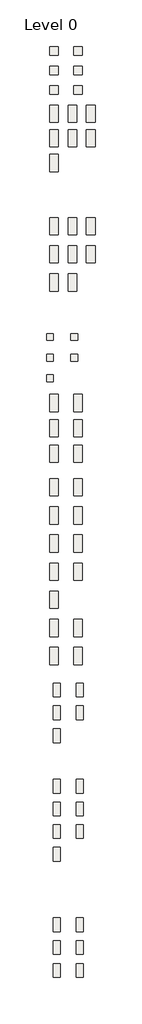
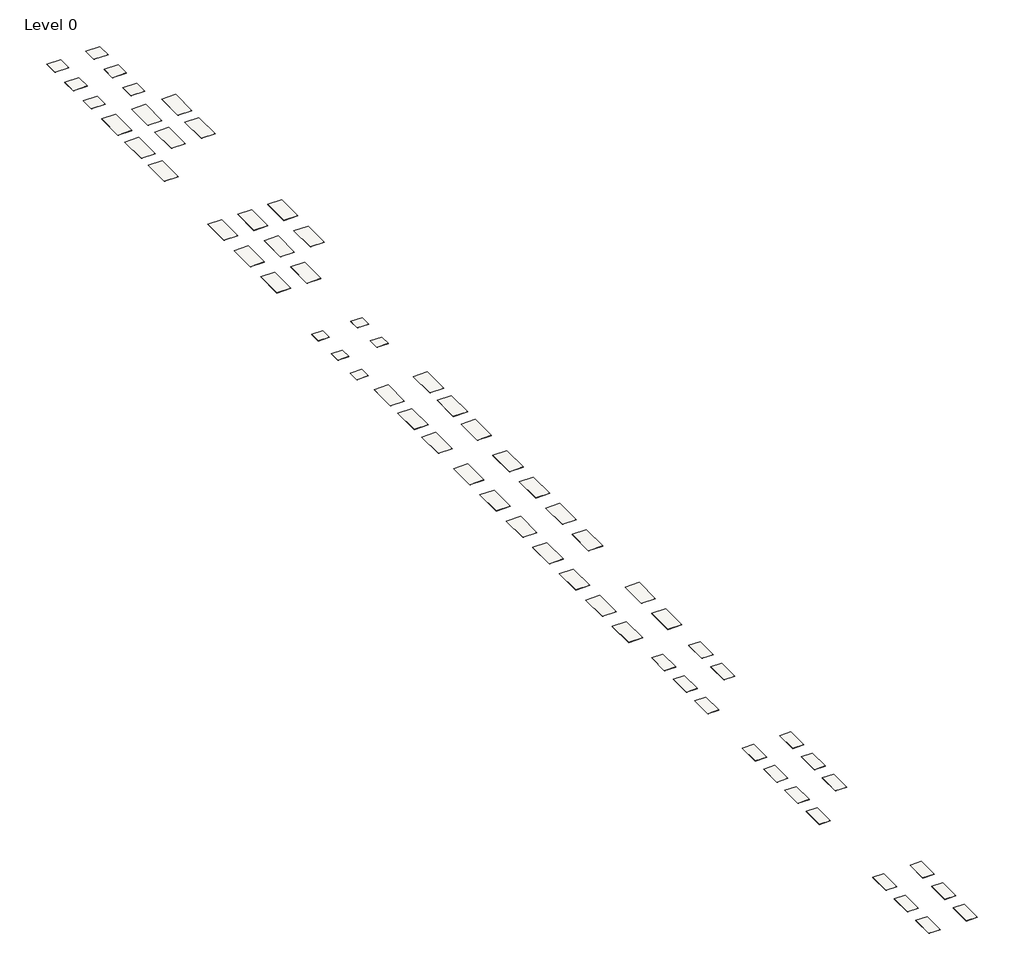
# One storey: 63 slabs.
"""IFC4 building model written with IfcOpenShell, lengths in millimetres."""

from ifc_helpers import new_model, si_unit, frame, origin, place, context, project, spatial, polyline, outline, extrude, element, save

model = new_model("IFC4")

# Units and contexts
model_context = context("Model", 3, world=origin())
ifc_project = project(units=[si_unit("LENGTHUNIT", "METRE", prefix="MILLI")], contexts=[model_context])

# Site, building, storey
site = spatial("IfcSite", under=ifc_project)
building = spatial("IfcBuilding", under=site)
storey = spatial("IfcBuildingStorey", under=building, Name="Level 0", Elevation=0.0)

# Slabs
placement = place(None, origin())
element("IfcSlab", 1, at=placement, inside=storey, context=model_context, shape_type="SweptSolid", body=[
    extrude(outline(polyline([(-9237.153592, -1038.5872888), (-9237.153592, -1788.5872888), (-9987.153592, -1788.5872888), (-9987.153592, -1038.5872888), (-9237.153592, -1038.5872888)])), frame((0.0, 0.0, -9.0), z_axis=(0.0, 0.0, 1.0), x_axis=(1.0, 0.0, 0.0)), (0.0, 0.0, 1.0), 9.0),
])
element("IfcSlab", 2, at=placement, inside=storey, context=model_context, shape_type="SweptSolid", body=[
    extrude(outline(polyline([(-7137.153592, -1038.5872888), (-7137.153592, -1788.5872888), (-7887.153592, -1788.5872888), (-7887.153592, -1038.5872888), (-7137.153592, -1038.5872888)])), frame((0.0, 0.0, -9.0), z_axis=(0.0, 0.0, 1.0), x_axis=(1.0, 0.0, 0.0)), (0.0, 0.0, 1.0), 9.0),
])
element("IfcSlab", 3, at=placement, inside=storey, context=model_context, shape_type="SweptSolid", body=[
    extrude(outline(polyline([(-9237.153592, -2738.5872888), (-9237.153592, -3488.5872888), (-9987.153592, -3488.5872888), (-9987.153592, -2738.5872888), (-9237.153592, -2738.5872888)])), frame((0.0, 0.0, -9.0), z_axis=(0.0, 0.0, 1.0), x_axis=(1.0, 0.0, 0.0)), (0.0, 0.0, 1.0), 9.0),
])
element("IfcSlab", 4, at=placement, inside=storey, context=model_context, shape_type="SweptSolid", body=[
    extrude(outline(polyline([(-7137.153592, -2738.5872888), (-7137.153592, -3488.5872888), (-7887.153592, -3488.5872888), (-7887.153592, -2738.5872888), (-7137.153592, -2738.5872888)])), frame((0.0, 0.0, -9.0), z_axis=(0.0, 0.0, 1.0), x_axis=(1.0, 0.0, 0.0)), (0.0, 0.0, 1.0), 9.0),
])
element("IfcSlab", 5, at=placement, inside=storey, context=model_context, shape_type="SweptSolid", body=[
    extrude(outline(polyline([(-9237.153592, -4438.5872888), (-9237.153592, -5188.5872888), (-9987.153592, -5188.5872888), (-9987.153592, -4438.5872888), (-9237.153592, -4438.5872888)])), frame((0.0, 0.0, -9.0), z_axis=(0.0, 0.0, 1.0), x_axis=(1.0, 0.0, 0.0)), (0.0, 0.0, 1.0), 9.0),
])
element("IfcSlab", 6, at=placement, inside=storey, context=model_context, shape_type="SweptSolid", body=[
    extrude(outline(polyline([(-7137.153592, -4438.5872888), (-7137.153592, -5188.5872888), (-7887.153592, -5188.5872888), (-7887.153592, -4438.5872888), (-7137.153592, -4438.5872888)])), frame((0.0, 0.0, -9.0), z_axis=(0.0, 0.0, 1.0), x_axis=(1.0, 0.0, 0.0)), (0.0, 0.0, 1.0), 9.0),
])
element("IfcSlab", 7, at=placement, inside=storey, context=model_context, shape_type="SweptSolid", body=[
    extrude(outline(polyline([(-9237.153592, -6138.5872888), (-9237.153592, -7638.5872888), (-9987.153592, -7638.5872888), (-9987.153592, -6138.5872888), (-9237.153592, -6138.5872888)])), frame((0.0, 0.0, -9.0), z_axis=(0.0, 0.0, 1.0), x_axis=(1.0, 0.0, 0.0)), (0.0, 0.0, 1.0), 9.0),
])
element("IfcSlab", 8, at=placement, inside=storey, context=model_context, shape_type="SweptSolid", body=[
    extrude(outline(polyline([(-7637.153592, -6138.5872888), (-7637.153592, -7638.5872888), (-8387.153592, -7638.5872888), (-8387.153592, -6138.5872888), (-7637.153592, -6138.5872888)])), frame((0.0, 0.0, -9.0), z_axis=(0.0, 0.0, 1.0), x_axis=(1.0, 0.0, 0.0)), (0.0, 0.0, 1.0), 9.0),
])
element("IfcSlab", 9, at=placement, inside=storey, context=model_context, shape_type="SweptSolid", body=[
    extrude(outline(polyline([(-6037.153592, -6138.5872888), (-6037.153592, -7638.5872888), (-6787.153592, -7638.5872888), (-6787.153592, -6138.5872888), (-6037.153592, -6138.5872888)])), frame((0.0, 0.0, -9.0), z_axis=(0.0, 0.0, 1.0), x_axis=(1.0, 0.0, 0.0)), (0.0, 0.0, 1.0), 9.0),
])
element("IfcSlab", 10, at=placement, inside=storey, context=model_context, shape_type="SweptSolid", body=[
    extrude(outline(polyline([(-9237.153592, -8288.5872888), (-9237.153592, -9788.5872888), (-9987.153592, -9788.5872888), (-9987.153592, -8288.5872888), (-9237.153592, -8288.5872888)])), frame((0.0, 0.0, -9.0), z_axis=(0.0, 0.0, 1.0), x_axis=(1.0, 0.0, 0.0)), (0.0, 0.0, 1.0), 9.0),
])
element("IfcSlab", 11, at=placement, inside=storey, context=model_context, shape_type="SweptSolid", body=[
    extrude(outline(polyline([(-7637.153592, -8288.5872888), (-7637.153592, -9788.5872888), (-8387.153592, -9788.5872888), (-8387.153592, -8288.5872888), (-7637.153592, -8288.5872888)])), frame((0.0, 0.0, -9.0), z_axis=(0.0, 0.0, 1.0), x_axis=(1.0, 0.0, 0.0)), (0.0, 0.0, 1.0), 9.0),
])
element("IfcSlab", 12, at=placement, inside=storey, context=model_context, shape_type="SweptSolid", body=[
    extrude(outline(polyline([(-6037.153592, -8288.5872888), (-6037.153592, -9788.5872888), (-6787.153592, -9788.5872888), (-6787.153592, -8288.5872888), (-6037.153592, -8288.5872888)])), frame((0.0, 0.0, -9.0), z_axis=(0.0, 0.0, 1.0), x_axis=(1.0, 0.0, 0.0)), (0.0, 0.0, 1.0), 9.0),
])
element("IfcSlab", 13, at=placement, inside=storey, context=model_context, shape_type="SweptSolid", body=[
    extrude(outline(polyline([(-9237.153592, -10438.5872888), (-9237.153592, -11938.5872888), (-9987.153592, -11938.5872888), (-9987.153592, -10438.5872888), (-9237.153592, -10438.5872888)])), frame((0.0, 0.0, -9.0), z_axis=(0.0, 0.0, 1.0), x_axis=(1.0, 0.0, 0.0)), (0.0, 0.0, 1.0), 9.0),
])
element("IfcSlab", 14, at=placement, inside=storey, context=model_context, shape_type="SweptSolid", body=[
    extrude(outline(polyline([(-9237.153592, -15938.5872888), (-9237.153592, -17438.5872888), (-9987.153592, -17438.5872888), (-9987.153592, -15938.5872888), (-9237.153592, -15938.5872888)])), frame((0.0, 0.0, -9.0), z_axis=(0.0, 0.0, 1.0), x_axis=(1.0, 0.0, 0.0)), (0.0, 0.0, 1.0), 9.0),
])
element("IfcSlab", 15, at=placement, inside=storey, context=model_context, shape_type="SweptSolid", body=[
    extrude(outline(polyline([(-7637.153592, -15938.5872888), (-7637.153592, -17438.5872888), (-8387.153592, -17438.5872888), (-8387.153592, -15938.5872888), (-7637.153592, -15938.5872888)])), frame((0.0, 0.0, -9.0), z_axis=(0.0, 0.0, 1.0), x_axis=(1.0, 0.0, 0.0)), (0.0, 0.0, 1.0), 9.0),
])
element("IfcSlab", 16, at=placement, inside=storey, context=model_context, shape_type="SweptSolid", body=[
    extrude(outline(polyline([(-6037.153592, -15938.5872888), (-6037.153592, -17438.5872888), (-6787.153592, -17438.5872888), (-6787.153592, -15938.5872888), (-6037.153592, -15938.5872888)])), frame((0.0, 0.0, -9.0), z_axis=(0.0, 0.0, 1.0), x_axis=(1.0, 0.0, 0.0)), (0.0, 0.0, 1.0), 9.0),
])
element("IfcSlab", 17, at=placement, inside=storey, context=model_context, shape_type="SweptSolid", body=[
    extrude(outline(polyline([(-9237.153592, -18388.5872888), (-9237.153592, -19888.5872888), (-9987.153592, -19888.5872888), (-9987.153592, -18388.5872888), (-9237.153592, -18388.5872888)])), frame((0.0, 0.0, -9.0), z_axis=(0.0, 0.0, 1.0), x_axis=(1.0, 0.0, 0.0)), (0.0, 0.0, 1.0), 9.0),
])
element("IfcSlab", 18, at=placement, inside=storey, context=model_context, shape_type="SweptSolid", body=[
    extrude(outline(polyline([(-7637.153592, -18388.5872888), (-7637.153592, -19888.5872888), (-8387.153592, -19888.5872888), (-8387.153592, -18388.5872888), (-7637.153592, -18388.5872888)])), frame((0.0, 0.0, -9.0), z_axis=(0.0, 0.0, 1.0), x_axis=(1.0, 0.0, 0.0)), (0.0, 0.0, 1.0), 9.0),
])
element("IfcSlab", 19, at=placement, inside=storey, context=model_context, shape_type="SweptSolid", body=[
    extrude(outline(polyline([(-6037.153592, -18388.5872888), (-6037.153592, -19888.5872888), (-6787.153592, -19888.5872888), (-6787.153592, -18388.5872888), (-6037.153592, -18388.5872888)])), frame((0.0, 0.0, -9.0), z_axis=(0.0, 0.0, 1.0), x_axis=(1.0, 0.0, 0.0)), (0.0, 0.0, 1.0), 9.0),
])
element("IfcSlab", 20, at=placement, inside=storey, context=model_context, shape_type="SweptSolid", body=[
    extrude(outline(polyline([(-9237.153592, -20838.5872888), (-9237.153592, -22338.5872888), (-9987.153592, -22338.5872888), (-9987.153592, -20838.5872888), (-9237.153592, -20838.5872888)])), frame((0.0, 0.0, -9.0), z_axis=(0.0, 0.0, 1.0), x_axis=(1.0, 0.0, 0.0)), (0.0, 0.0, 1.0), 9.0),
])
element("IfcSlab", 21, at=placement, inside=storey, context=model_context, shape_type="SweptSolid", body=[
    extrude(outline(polyline([(-7637.153592, -20838.5872888), (-7637.153592, -22338.5872888), (-8387.153592, -22338.5872888), (-8387.153592, -20838.5872888), (-7637.153592, -20838.5872888)])), frame((0.0, 0.0, -9.0), z_axis=(0.0, 0.0, 1.0), x_axis=(1.0, 0.0, 0.0)), (0.0, 0.0, 1.0), 9.0),
])
element("IfcSlab", 22, at=placement, inside=storey, context=model_context, shape_type="SweptSolid", body=[
    extrude(outline(polyline([(-9665.9167579, -26039.7137662), (-9665.9167579, -26639.7137662), (-10265.9167579, -26639.7137662), (-10265.9167579, -26039.7137662), (-9665.9167579, -26039.7137662)])), frame((0.0, 0.0, -9.0), z_axis=(0.0, 0.0, 1.0), x_axis=(1.0, 0.0, 0.0)), (0.0, 0.0, 1.0), 9.0),
])
element("IfcSlab", 23, at=placement, inside=storey, context=model_context, shape_type="SweptSolid", body=[
    extrude(outline(polyline([(-7565.9167579, -26039.7137662), (-7565.9167579, -26639.7137662), (-8165.9167579, -26639.7137662), (-8165.9167579, -26039.7137662), (-7565.9167579, -26039.7137662)])), frame((0.0, 0.0, -9.0), z_axis=(0.0, 0.0, 1.0), x_axis=(1.0, 0.0, 0.0)), (0.0, 0.0, 1.0), 9.0),
])
element("IfcSlab", 24, at=placement, inside=storey, context=model_context, shape_type="SweptSolid", body=[
    extrude(outline(polyline([(-9665.9167579, -27839.7137662), (-9665.9167579, -28439.7137662), (-10265.9167579, -28439.7137662), (-10265.9167579, -27839.7137662), (-9665.9167579, -27839.7137662)])), frame((0.0, 0.0, -9.0), z_axis=(0.0, 0.0, 1.0), x_axis=(1.0, 0.0, 0.0)), (0.0, 0.0, 1.0), 9.0),
])
element("IfcSlab", 25, at=placement, inside=storey, context=model_context, shape_type="SweptSolid", body=[
    extrude(outline(polyline([(-7565.9167579, -27839.7137662), (-7565.9167579, -28439.7137662), (-8165.9167579, -28439.7137662), (-8165.9167579, -27839.7137662), (-7565.9167579, -27839.7137662)])), frame((0.0, 0.0, -9.0), z_axis=(0.0, 0.0, 1.0), x_axis=(1.0, 0.0, 0.0)), (0.0, 0.0, 1.0), 9.0),
])
element("IfcSlab", 26, at=placement, inside=storey, context=model_context, shape_type="SweptSolid", body=[
    extrude(outline(polyline([(-9665.9167579, -29639.7137662), (-9665.9167579, -30239.7137662), (-10265.9167579, -30239.7137662), (-10265.9167579, -29639.7137662), (-9665.9167579, -29639.7137662)])), frame((0.0, 0.0, -9.0), z_axis=(0.0, 0.0, 1.0), x_axis=(1.0, 0.0, 0.0)), (0.0, 0.0, 1.0), 9.0),
])
element("IfcSlab", 27, at=placement, inside=storey, context=model_context, shape_type="SweptSolid", body=[
    extrude(outline(polyline([(-9237.153592, -31338.5872888), (-9237.153592, -32838.5872888), (-9987.153592, -32838.5872888), (-9987.153592, -31338.5872888), (-9237.153592, -31338.5872888)])), frame((0.0, 0.0, -9.0), z_axis=(0.0, 0.0, 1.0), x_axis=(1.0, 0.0, 0.0)), (0.0, 0.0, 1.0), 9.0),
])
element("IfcSlab", 28, at=placement, inside=storey, context=model_context, shape_type="SweptSolid", body=[
    extrude(outline(polyline([(-7137.153592, -31338.5872888), (-7137.153592, -32838.5872888), (-7887.153592, -32838.5872888), (-7887.153592, -31338.5872888), (-7137.153592, -31338.5872888)])), frame((0.0, 0.0, -9.0), z_axis=(0.0, 0.0, 1.0), x_axis=(1.0, 0.0, 0.0)), (0.0, 0.0, 1.0), 9.0),
])
element("IfcSlab", 29, at=placement, inside=storey, context=model_context, shape_type="SweptSolid", body=[
    extrude(outline(polyline([(-9237.153592, -33548.5872888), (-9237.153592, -35048.5872888), (-9987.153592, -35048.5872888), (-9987.153592, -33548.5872888), (-9237.153592, -33548.5872888)])), frame((0.0, 0.0, -9.0), z_axis=(0.0, 0.0, 1.0), x_axis=(1.0, 0.0, 0.0)), (0.0, 0.0, 1.0), 9.0),
])
element("IfcSlab", 30, at=placement, inside=storey, context=model_context, shape_type="SweptSolid", body=[
    extrude(outline(polyline([(-7137.153592, -33548.5872888), (-7137.153592, -35048.5872888), (-7887.153592, -35048.5872888), (-7887.153592, -33548.5872888), (-7137.153592, -33548.5872888)])), frame((0.0, 0.0, -9.0), z_axis=(0.0, 0.0, 1.0), x_axis=(1.0, 0.0, 0.0)), (0.0, 0.0, 1.0), 9.0),
])
element("IfcSlab", 31, at=placement, inside=storey, context=model_context, shape_type="SweptSolid", body=[
    extrude(outline(polyline([(-9237.153592, -35758.5872888), (-9237.153592, -37258.5872888), (-9987.153592, -37258.5872888), (-9987.153592, -35758.5872888), (-9237.153592, -35758.5872888)])), frame((0.0, 0.0, -9.0), z_axis=(0.0, 0.0, 1.0), x_axis=(1.0, 0.0, 0.0)), (0.0, 0.0, 1.0), 9.0),
])
element("IfcSlab", 32, at=placement, inside=storey, context=model_context, shape_type="SweptSolid", body=[
    extrude(outline(polyline([(-7137.153592, -35758.5872888), (-7137.153592, -37258.5872888), (-7887.153592, -37258.5872888), (-7887.153592, -35758.5872888), (-7137.153592, -35758.5872888)])), frame((0.0, 0.0, -9.0), z_axis=(0.0, 0.0, 1.0), x_axis=(1.0, 0.0, 0.0)), (0.0, 0.0, 1.0), 9.0),
])
element("IfcSlab", 33, at=placement, inside=storey, context=model_context, shape_type="SweptSolid", body=[
    extrude(outline(polyline([(-9237.153592, -38688.5872888), (-9237.153592, -40188.5872888), (-9987.153592, -40188.5872888), (-9987.153592, -38688.5872888), (-9237.153592, -38688.5872888)])), frame((0.0, 0.0, -9.0), z_axis=(0.0, 0.0, 1.0), x_axis=(1.0, 0.0, 0.0)), (0.0, 0.0, 1.0), 9.0),
])
element("IfcSlab", 34, at=placement, inside=storey, context=model_context, shape_type="SweptSolid", body=[
    extrude(outline(polyline([(-7137.153592, -38688.5872888), (-7137.153592, -40188.5872888), (-7887.153592, -40188.5872888), (-7887.153592, -38688.5872888), (-7137.153592, -38688.5872888)])), frame((0.0, 0.0, -9.0), z_axis=(0.0, 0.0, 1.0), x_axis=(1.0, 0.0, 0.0)), (0.0, 0.0, 1.0), 9.0),
])
element("IfcSlab", 35, at=placement, inside=storey, context=model_context, shape_type="SweptSolid", body=[
    extrude(outline(polyline([(-9237.153592, -41138.5872888), (-9237.153592, -42638.5872888), (-9987.153592, -42638.5872888), (-9987.153592, -41138.5872888), (-9237.153592, -41138.5872888)])), frame((0.0, 0.0, -9.0), z_axis=(0.0, 0.0, 1.0), x_axis=(1.0, 0.0, 0.0)), (0.0, 0.0, 1.0), 9.0),
])
element("IfcSlab", 36, at=placement, inside=storey, context=model_context, shape_type="SweptSolid", body=[
    extrude(outline(polyline([(-7137.153592, -41138.5872888), (-7137.153592, -42638.5872888), (-7887.153592, -42638.5872888), (-7887.153592, -41138.5872888), (-7137.153592, -41138.5872888)])), frame((0.0, 0.0, -9.0), z_axis=(0.0, 0.0, 1.0), x_axis=(1.0, 0.0, 0.0)), (0.0, 0.0, 1.0), 9.0),
])
element("IfcSlab", 37, at=placement, inside=storey, context=model_context, shape_type="SweptSolid", body=[
    extrude(outline(polyline([(-9237.153592, -43588.5872888), (-9237.153592, -45088.5872888), (-9987.153592, -45088.5872888), (-9987.153592, -43588.5872888), (-9237.153592, -43588.5872888)])), frame((0.0, 0.0, -9.0), z_axis=(0.0, 0.0, 1.0), x_axis=(1.0, 0.0, 0.0)), (0.0, 0.0, 1.0), 9.0),
])
element("IfcSlab", 38, at=placement, inside=storey, context=model_context, shape_type="SweptSolid", body=[
    extrude(outline(polyline([(-7137.153592, -43588.5872888), (-7137.153592, -45088.5872888), (-7887.153592, -45088.5872888), (-7887.153592, -43588.5872888), (-7137.153592, -43588.5872888)])), frame((0.0, 0.0, -9.0), z_axis=(0.0, 0.0, 1.0), x_axis=(1.0, 0.0, 0.0)), (0.0, 0.0, 1.0), 9.0),
])
element("IfcSlab", 39, at=placement, inside=storey, context=model_context, shape_type="SweptSolid", body=[
    extrude(outline(polyline([(-9237.153592, -46038.5872888), (-9237.153592, -47538.5872888), (-9987.153592, -47538.5872888), (-9987.153592, -46038.5872888), (-9237.153592, -46038.5872888)])), frame((0.0, 0.0, -9.0), z_axis=(0.0, 0.0, 1.0), x_axis=(1.0, 0.0, 0.0)), (0.0, 0.0, 1.0), 9.0),
])
element("IfcSlab", 40, at=placement, inside=storey, context=model_context, shape_type="SweptSolid", body=[
    extrude(outline(polyline([(-7137.153592, -46038.5872888), (-7137.153592, -47538.5872888), (-7887.153592, -47538.5872888), (-7887.153592, -46038.5872888), (-7137.153592, -46038.5872888)])), frame((0.0, 0.0, -9.0), z_axis=(0.0, 0.0, 1.0), x_axis=(1.0, 0.0, 0.0)), (0.0, 0.0, 1.0), 9.0),
])
element("IfcSlab", 41, at=placement, inside=storey, context=model_context, shape_type="SweptSolid", body=[
    extrude(outline(polyline([(-9237.153592, -48488.5872888), (-9237.153592, -49988.5872888), (-9987.153592, -49988.5872888), (-9987.153592, -48488.5872888), (-9237.153592, -48488.5872888)])), frame((0.0, 0.0, -9.0), z_axis=(0.0, 0.0, 1.0), x_axis=(1.0, 0.0, 0.0)), (0.0, 0.0, 1.0), 9.0),
])
element("IfcSlab", 42, at=placement, inside=storey, context=model_context, shape_type="SweptSolid", body=[
    extrude(outline(polyline([(-9237.153592, -50938.5872888), (-9237.153592, -52438.5872888), (-9987.153592, -52438.5872888), (-9987.153592, -50938.5872888), (-9237.153592, -50938.5872888)])), frame((0.0, 0.0, -9.0), z_axis=(0.0, 0.0, 1.0), x_axis=(1.0, 0.0, 0.0)), (0.0, 0.0, 1.0), 9.0),
])
element("IfcSlab", 43, at=placement, inside=storey, context=model_context, shape_type="SweptSolid", body=[
    extrude(outline(polyline([(-7137.153592, -50938.5872888), (-7137.153592, -52438.5872888), (-7887.153592, -52438.5872888), (-7887.153592, -50938.5872888), (-7137.153592, -50938.5872888)])), frame((0.0, 0.0, -9.0), z_axis=(0.0, 0.0, 1.0), x_axis=(1.0, 0.0, 0.0)), (0.0, 0.0, 1.0), 9.0),
])
element("IfcSlab", 44, at=placement, inside=storey, context=model_context, shape_type="SweptSolid", body=[
    extrude(outline(polyline([(-9237.153592, -53388.5872888), (-9237.153592, -54888.5872888), (-9987.153592, -54888.5872888), (-9987.153592, -53388.5872888), (-9237.153592, -53388.5872888)])), frame((0.0, 0.0, -9.0), z_axis=(0.0, 0.0, 1.0), x_axis=(1.0, 0.0, 0.0)), (0.0, 0.0, 1.0), 9.0),
])
element("IfcSlab", 45, at=placement, inside=storey, context=model_context, shape_type="SweptSolid", body=[
    extrude(outline(polyline([(-7137.153592, -53388.5872888), (-7137.153592, -54888.5872888), (-7887.153592, -54888.5872888), (-7887.153592, -53388.5872888), (-7137.153592, -53388.5872888)])), frame((0.0, 0.0, -9.0), z_axis=(0.0, 0.0, 1.0), x_axis=(1.0, 0.0, 0.0)), (0.0, 0.0, 1.0), 9.0),
])
element("IfcSlab", 46, at=placement, inside=storey, context=model_context, shape_type="SweptSolid", body=[
    extrude(outline(polyline([(-9087.3962904, -56488.9671973), (-9087.3962904, -57688.9671973), (-9687.3962904, -57688.9671973), (-9687.3962904, -56488.9671973), (-9087.3962904, -56488.9671973)])), frame((0.0, 0.0, -9.0), z_axis=(0.0, 0.0, 1.0), x_axis=(1.0, 0.0, 0.0)), (0.0, 0.0, 1.0), 9.0),
])
element("IfcSlab", 47, at=placement, inside=storey, context=model_context, shape_type="SweptSolid", body=[
    extrude(outline(polyline([(-7087.3962904, -56488.9671973), (-7087.3962904, -57688.9671973), (-7687.3962904, -57688.9671973), (-7687.3962904, -56488.9671973), (-7087.3962904, -56488.9671973)])), frame((0.0, 0.0, -9.0), z_axis=(0.0, 0.0, 1.0), x_axis=(1.0, 0.0, 0.0)), (0.0, 0.0, 1.0), 9.0),
])
element("IfcSlab", 48, at=placement, inside=storey, context=model_context, shape_type="SweptSolid", body=[
    extrude(outline(polyline([(-9087.3962904, -58488.9671973), (-9087.3962904, -59688.9671973), (-9687.3962904, -59688.9671973), (-9687.3962904, -58488.9671973), (-9087.3962904, -58488.9671973)])), frame((0.0, 0.0, -9.0), z_axis=(0.0, 0.0, 1.0), x_axis=(1.0, 0.0, 0.0)), (0.0, 0.0, 1.0), 9.0),
])
element("IfcSlab", 49, at=placement, inside=storey, context=model_context, shape_type="SweptSolid", body=[
    extrude(outline(polyline([(-7087.3962904, -58488.9671973), (-7087.3962904, -59688.9671973), (-7687.3962904, -59688.9671973), (-7687.3962904, -58488.9671973), (-7087.3962904, -58488.9671973)])), frame((0.0, 0.0, -9.0), z_axis=(0.0, 0.0, 1.0), x_axis=(1.0, 0.0, 0.0)), (0.0, 0.0, 1.0), 9.0),
])
element("IfcSlab", 50, at=placement, inside=storey, context=model_context, shape_type="SweptSolid", body=[
    extrude(outline(polyline([(-9087.3962904, -60488.9671973), (-9087.3962904, -61688.9671973), (-9687.3962904, -61688.9671973), (-9687.3962904, -60488.9671973), (-9087.3962904, -60488.9671973)])), frame((0.0, 0.0, -9.0), z_axis=(0.0, 0.0, 1.0), x_axis=(1.0, 0.0, 0.0)), (0.0, 0.0, 1.0), 9.0),
])
element("IfcSlab", 51, at=placement, inside=storey, context=model_context, shape_type="SweptSolid", body=[
    extrude(outline(polyline([(-9087.3962904, -64888.9671973), (-9087.3962904, -66088.9671973), (-9687.3962904, -66088.9671973), (-9687.3962904, -64888.9671973), (-9087.3962904, -64888.9671973)])), frame((0.0, 0.0, -9.0), z_axis=(0.0, 0.0, 1.0), x_axis=(1.0, 0.0, 0.0)), (0.0, 0.0, 1.0), 9.0),
])
element("IfcSlab", 52, at=placement, inside=storey, context=model_context, shape_type="SweptSolid", body=[
    extrude(outline(polyline([(-7087.3962904, -64888.9671973), (-7087.3962904, -66088.9671973), (-7687.3962904, -66088.9671973), (-7687.3962904, -64888.9671973), (-7087.3962904, -64888.9671973)])), frame((0.0, 0.0, -9.0), z_axis=(0.0, 0.0, 1.0), x_axis=(1.0, 0.0, 0.0)), (0.0, 0.0, 1.0), 9.0),
])
element("IfcSlab", 53, at=placement, inside=storey, context=model_context, shape_type="SweptSolid", body=[
    extrude(outline(polyline([(-9087.3962904, -66858.9671973), (-9087.3962904, -68058.9671973), (-9687.3962904, -68058.9671973), (-9687.3962904, -66858.9671973), (-9087.3962904, -66858.9671973)])), frame((0.0, 0.0, -9.0), z_axis=(0.0, 0.0, 1.0), x_axis=(1.0, 0.0, 0.0)), (0.0, 0.0, 1.0), 9.0),
])
element("IfcSlab", 54, at=placement, inside=storey, context=model_context, shape_type="SweptSolid", body=[
    extrude(outline(polyline([(-7087.3962904, -66858.9671973), (-7087.3962904, -68058.9671973), (-7687.3962904, -68058.9671973), (-7687.3962904, -66858.9671973), (-7087.3962904, -66858.9671973)])), frame((0.0, 0.0, -9.0), z_axis=(0.0, 0.0, 1.0), x_axis=(1.0, 0.0, 0.0)), (0.0, 0.0, 1.0), 9.0),
])
element("IfcSlab", 55, at=placement, inside=storey, context=model_context, shape_type="SweptSolid", body=[
    extrude(outline(polyline([(-9087.3962904, -68828.9671973), (-9087.3962904, -70028.9671973), (-9687.3962904, -70028.9671973), (-9687.3962904, -68828.9671973), (-9087.3962904, -68828.9671973)])), frame((0.0, 0.0, -9.0), z_axis=(0.0, 0.0, 1.0), x_axis=(1.0, 0.0, 0.0)), (0.0, 0.0, 1.0), 9.0),
])
element("IfcSlab", 56, at=placement, inside=storey, context=model_context, shape_type="SweptSolid", body=[
    extrude(outline(polyline([(-7087.3962904, -68828.9671973), (-7087.3962904, -70028.9671973), (-7687.3962904, -70028.9671973), (-7687.3962904, -68828.9671973), (-7087.3962904, -68828.9671973)])), frame((0.0, 0.0, -9.0), z_axis=(0.0, 0.0, 1.0), x_axis=(1.0, 0.0, 0.0)), (0.0, 0.0, 1.0), 9.0),
])
element("IfcSlab", 57, at=placement, inside=storey, context=model_context, shape_type="SweptSolid", body=[
    extrude(outline(polyline([(-9087.3962904, -70798.9671973), (-9087.3962904, -71998.9671973), (-9687.3962904, -71998.9671973), (-9687.3962904, -70798.9671973), (-9087.3962904, -70798.9671973)])), frame((0.0, 0.0, -9.0), z_axis=(0.0, 0.0, 1.0), x_axis=(1.0, 0.0, 0.0)), (0.0, 0.0, 1.0), 9.0),
])
element("IfcSlab", 58, at=placement, inside=storey, context=model_context, shape_type="SweptSolid", body=[
    extrude(outline(polyline([(-9087.3962904, -76938.9671973), (-9087.3962904, -78138.9671973), (-9687.3962904, -78138.9671973), (-9687.3962904, -76938.9671973), (-9087.3962904, -76938.9671973)])), frame((0.0, 0.0, -9.0), z_axis=(0.0, 0.0, 1.0), x_axis=(1.0, 0.0, 0.0)), (0.0, 0.0, 1.0), 9.0),
])
element("IfcSlab", 59, at=placement, inside=storey, context=model_context, shape_type="SweptSolid", body=[
    extrude(outline(polyline([(-7087.3962904, -76938.9671973), (-7087.3962904, -78138.9671973), (-7687.3962904, -78138.9671973), (-7687.3962904, -76938.9671973), (-7087.3962904, -76938.9671973)])), frame((0.0, 0.0, -9.0), z_axis=(0.0, 0.0, 1.0), x_axis=(1.0, 0.0, 0.0)), (0.0, 0.0, 1.0), 9.0),
])
element("IfcSlab", 60, at=placement, inside=storey, context=model_context, shape_type="SweptSolid", body=[
    extrude(outline(polyline([(-7087.3962904, -78938.9671973), (-7087.3962904, -80138.9671973), (-7687.3962904, -80138.9671973), (-7687.3962904, -78938.9671973), (-7087.3962904, -78938.9671973)])), frame((0.0, 0.0, -9.0), z_axis=(0.0, 0.0, 1.0), x_axis=(1.0, 0.0, 0.0)), (0.0, 0.0, 1.0), 9.0),
])
element("IfcSlab", 61, at=placement, inside=storey, context=model_context, shape_type="SweptSolid", body=[
    extrude(outline(polyline([(-9087.3962904, -78938.9671973), (-9087.3962904, -80138.9671973), (-9687.3962904, -80138.9671973), (-9687.3962904, -78938.9671973), (-9087.3962904, -78938.9671973)])), frame((0.0, 0.0, -9.0), z_axis=(0.0, 0.0, 1.0), x_axis=(1.0, 0.0, 0.0)), (0.0, 0.0, 1.0), 9.0),
])
element("IfcSlab", 62, at=placement, inside=storey, context=model_context, shape_type="SweptSolid", body=[
    extrude(outline(polyline([(-7087.3962904, -80938.9671973), (-7087.3962904, -82138.9671973), (-7687.3962904, -82138.9671973), (-7687.3962904, -80938.9671973), (-7087.3962904, -80938.9671973)])), frame((0.0, 0.0, -9.0), z_axis=(0.0, 0.0, 1.0), x_axis=(1.0, 0.0, 0.0)), (0.0, 0.0, 1.0), 9.0),
])
element("IfcSlab", 63, at=placement, inside=storey, context=model_context, shape_type="SweptSolid", body=[
    extrude(outline(polyline([(-9087.3962904, -80938.9671973), (-9087.3962904, -82138.9671973), (-9687.3962904, -82138.9671973), (-9687.3962904, -80938.9671973), (-9087.3962904, -80938.9671973)])), frame((0.0, 0.0, -9.0), z_axis=(0.0, 0.0, 1.0), x_axis=(1.0, 0.0, 0.0)), (0.0, 0.0, 1.0), 9.0),
])

save(model, "model.ifc")
